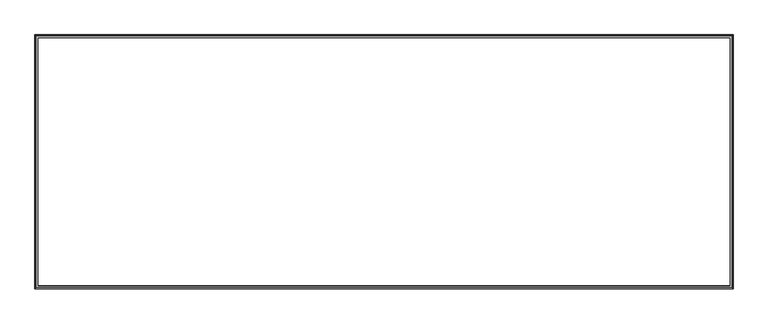
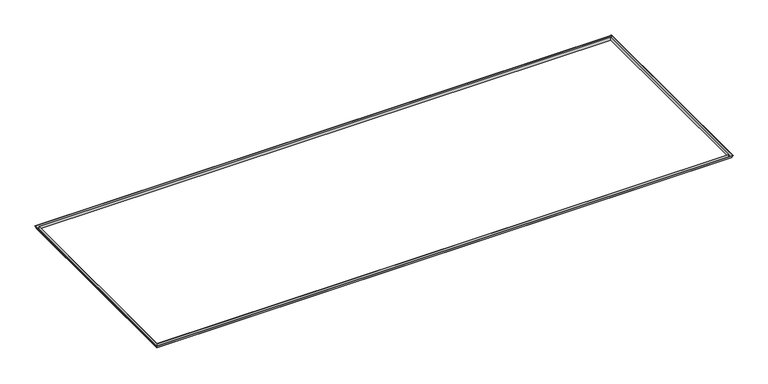
"""IFC4 building model written with IfcOpenShell, lengths in millimetres: proxy geometry."""

import ifcopenshell
import ifcopenshell.guid

model = None  # the IFC model being written
_history = None  # IfcOwnerHistory: only IFC2X3 demands one
_inside = {}  # id of a spatial element -> (the spatial element, [elements in it])
_under = {}  # id of a project, library or spatial element -> (it, [spatial elements below it])
_declared = {}  # id of a project -> (the project, [libraries it declares])
_typed = {}  # id of a type object -> (the type object, [elements of that type])
_made_of = {}  # id of a material, layer set ... -> (it, [elements and type objects made of it])


def new_model(schema):
    """Start an empty IFC model of exactly this schema.

    Asked for "IFC4X3", IfcOpenShell would pick the latest addendum, in which some entities
    have other attributes; the version numbers below select the first issue.
    IFC2X3 requires an IfcOwnerHistory on every rooted entity: one is made here for all.
    """
    global model, _history
    if schema == "IFC4X3":
        model = ifcopenshell.file(schema_version=(4, 3, 0, 0))
    else:
        model = ifcopenshell.file(schema=schema)
    _inside.clear()
    _under.clear()
    _declared.clear()
    _typed.clear()
    _made_of.clear()
    _history = None
    if model.schema == "IFC2X3":
        org = make("IfcOrganization", Name="unknown")
        user = make(
            "IfcPersonAndOrganization",
            ThePerson=make("IfcPerson", FamilyName="unknown"),
            TheOrganization=org,
        )
        app = make(
            "IfcApplication",
            ApplicationDeveloper=org,
            Version="unknown",
            ApplicationFullName="unknown",
            ApplicationIdentifier="unknown",
        )
        _history = make(
            "IfcOwnerHistory",
            OwningUser=user,
            OwningApplication=app,
            ChangeAction="ADDED",
            CreationDate=0,
        )
    return model


def make(cls, **values):
    """One entity of the class cls with the attributes given. An attribute that is None is left unset."""
    return model.create_entity(
        cls, **{name: value for name, value in values.items() if value is not None}
    )


def rooted(cls, **values):
    """An entity with a GlobalId (a new one), such as an element, a storey or a relation."""
    return make(cls, GlobalId=ifcopenshell.guid.new(), OwnerHistory=_history, **values)


def si_unit(unit_type, name, prefix=None):
    """IfcSIUnit, for example si_unit("LENGTHUNIT", "METRE", prefix="MILLI")."""
    return make("IfcSIUnit", UnitType=unit_type, Prefix=prefix, Name=name)


def assignment(units):
    """IfcUnitAssignment: the units of a project."""
    return None if units is None else make("IfcUnitAssignment", Units=units)


def point(xyz):
    """IfcCartesianPoint."""
    return None if xyz is None else make("IfcCartesianPoint", Coordinates=xyz)


def direction(xyz):
    """IfcDirection."""
    return None if xyz is None else make("IfcDirection", DirectionRatios=xyz)


def frame(location, z_axis=None, x_axis=None):
    """IfcAxis2Placement3D, a coordinate frame: its origin and axes. An axis left out is left unset."""
    return make(
        "IfcAxis2Placement3D",
        Location=point(location),
        Axis=direction(z_axis),
        RefDirection=direction(x_axis),
    )


def origin():
    """The frame at (0, 0, 0) with its axes left unset."""
    return frame((0.0, 0.0, 0.0))


def place(relative_to, where):
    """IfcLocalPlacement: puts the frame where relative to a parent placement (None: the world)."""
    return make(
        "IfcLocalPlacement", PlacementRelTo=relative_to, RelativePlacement=where
    )


def context(
    kind, dimensions, precision=None, world=None, true_north=None, identifier=None
):
    """IfcGeometricRepresentationContext, for example the 3D "Model" context."""
    return make(
        "IfcGeometricRepresentationContext",
        ContextIdentifier=identifier,
        ContextType=kind,
        CoordinateSpaceDimension=dimensions,
        Precision=precision,
        WorldCoordinateSystem=world,
        TrueNorth=true_north,
    )


def project(units=None, contexts=None):
    """IfcProject with its units and contexts."""
    return rooted(
        "IfcProject",
        Name="project",
        RepresentationContexts=contexts,
        UnitsInContext=assignment(units),
    )


def spatial(cls, under=None, at=None, **own):
    """A site, building, storey or space (cls), placed at a placement, below another one or the project."""
    s = rooted(cls, ObjectPlacement=at, **own)
    if under is not None:
        _under.setdefault(under.id(), (under, []))[1].append(s)
    return s


def faces_of(points, faces, orient=None, outer=None):
    """IfcFace entities. A face is a list of loops; a loop is a list of indices into points, from 0.

    orient and outer hold one flag for each loop. By default every Orientation is true, the
    first loop of a face is its IfcFaceOuterBound and the others are IfcFaceBound.
    """
    made = []
    for i, loops in enumerate(faces):
        bounds = []
        for j, loop in enumerate(loops):
            is_outer = j == 0 if outer is None else outer[i][j]
            bounds.append(
                make(
                    "IfcFaceOuterBound" if is_outer else "IfcFaceBound",
                    Bound=make("IfcPolyLoop", Polygon=[points[k] for k in loop]),
                    Orientation=True if orient is None else orient[i][j],
                )
            )
        made.append(make("IfcFace", Bounds=bounds))
    return made


def faceted_brep(points, faces, orient=None, outer=None, voids=None):
    """IfcFacetedBrep: a solid bounded by flat faces; with voids (closed shells), ...WithVoids."""
    shared = [point(p) for p in points]
    hull = make("IfcClosedShell", CfsFaces=faces_of(shared, faces, orient, outer))
    if voids is None:
        return make("IfcFacetedBrep", Outer=hull)
    return make(
        "IfcFacetedBrepWithVoids",
        Outer=hull,
        Voids=[
            make(cls, CfsFaces=faces_of(shared, fs, o, b)) for cls, fs, o, b in voids
        ],
    )


def shape(context_of_items, identifier, shape_type, items):
    """IfcShapeRepresentation: the items that make up one representation, for example the "Body"."""
    return make(
        "IfcShapeRepresentation",
        ContextOfItems=context_of_items,
        RepresentationIdentifier=identifier,
        RepresentationType=shape_type,
        Items=items,
    )


def source(mapping_origin, context_of_items, identifier, shape_type, items):
    """IfcRepresentationMap: a shape defined once, which mapped items show again and again."""
    return make(
        "IfcRepresentationMap",
        MappingOrigin=mapping_origin,
        MappedRepresentation=shape(context_of_items, identifier, shape_type, items),
    )


def transform(
    local_origin,
    x_axis=None,
    y_axis=None,
    z_axis=None,
    scale=None,
    scale2=None,
    scale3=None,
    uniform=True,
):
    """IfcCartesianTransformationOperator3D, or its non-uniform kind. x_axis, y_axis, z_axis: its Axis1, 2, 3."""
    if uniform:
        return make(
            "IfcCartesianTransformationOperator3D",
            Axis1=direction(x_axis),
            Axis2=direction(y_axis),
            LocalOrigin=point(local_origin),
            Scale=scale,
            Axis3=direction(z_axis),
        )
    return make(
        "IfcCartesianTransformationOperator3DnonUniform",
        Axis1=direction(x_axis),
        Axis2=direction(y_axis),
        LocalOrigin=point(local_origin),
        Scale=scale,
        Axis3=direction(z_axis),
        Scale2=scale2,
        Scale3=scale3,
    )


def mapped(mapping_source, mapping_target):
    """IfcMappedItem: shows the shape of a source again, moved by a transform."""
    return make(
        "IfcMappedItem", MappingSource=mapping_source, MappingTarget=mapping_target
    )


def made_of(thing, what):
    """Note that an element or type object is made of a material, layer set ...; save() writes the relation."""
    if what is not None:
        _made_of.setdefault(what.id(), (what, []))[1].append(thing)
    return thing


def element(
    cls,
    number,
    at=None,
    inside=None,
    cuts=None,
    type_object=None,
    material=None,
    context=None,
    identifier="Body",
    shape_type=None,
    held_by="IfcProductDefinitionShape",
    body=None,
    shapes=None,
    **own,
):
    """One element of the class cls, such as IfcWall. Its Tag is "e" and its number.

    at: its placement. inside: the storey or other place that contains it. cuts: it is an
    opening in that element (IfcRelVoidsElement). A single representation is given by context,
    identifier, shape_type and body (its items); several are given by shapes. held_by: the class
    of the entity that holds the representations. save() writes the other relations.
    """
    e = rooted(cls, Tag="e%d" % number, ObjectPlacement=at, **own)
    if body is not None:
        shapes = [shape(context, identifier, shape_type, body)]
    if shapes is not None:
        e.Representation = make(held_by, Representations=shapes)
    if inside is not None:
        _inside.setdefault(inside.id(), (inside, []))[1].append(e)
    if cuts is not None:
        rooted(
            "IfcRelVoidsElement", RelatingBuildingElement=cuts, RelatedOpeningElement=e
        )
    if type_object is not None:
        _typed.setdefault(type_object.id(), (type_object, []))[1].append(e)
    return made_of(e, material)


def aggregate(whole, parts):
    """IfcRelAggregates: a whole, such as a stair, and the parts it consists of."""
    return rooted("IfcRelAggregates", RelatingObject=whole, RelatedObjects=parts)


def save(model, path):
    """Write the relations noted so far, then the file.

    IfcRelAggregates (storeys below a building ...), IfcRelContainedInSpatialStructure (elements
    in a storey), IfcRelDefinesByType, IfcRelAssociatesMaterial and IfcRelDeclares: one each for
    every whole, place, type object, material and project.
    """
    for whole, parts in _under.values():
        aggregate(whole, parts)
    for where, things in _inside.values():
        rooted(
            "IfcRelContainedInSpatialStructure",
            RelatedElements=things,
            RelatingStructure=where,
        )
    for kind, things in _typed.values():
        rooted("IfcRelDefinesByType", RelatedObjects=things, RelatingType=kind)
    for what, things in _made_of.values():
        rooted("IfcRelAssociatesMaterial", RelatedObjects=things, RelatingMaterial=what)
    for by, libraries in _declared.values():
        rooted("IfcRelDeclares", RelatingContext=by, RelatedDefinitions=libraries)
    model.write(path)


def generic_models_3cce644f(model_context):
    return source(origin(), model_context, "Body", "Brep", [
        faceted_brep([(-114626.1867011, -89155.0209837, 14756.2952898), (-114588.0867011, -89193.1209837, 14631.7830572), (-114588.0867011, -100439.5209837, 14631.7830572), (-114626.1867011, -100477.6209837, 14756.2952898), (-114638.8867011, -89142.3209837, 14768.9952898), (-114638.8867011, -89142.3209837, 14756.2952898), (-114638.8867011, -100490.3209837, 14756.2952898), (-114638.8867011, -100490.3209837, 14768.9952898), (-114626.1867011, -89155.0209837, 14765.8202898), (-114626.1867011, -89155.0209837, 14768.9952898), (-114626.1867011, -100477.6209837, 14768.9952898), (-114626.1867011, -100477.6209837, 14765.8202898), (-114635.7117011, -89145.4959837, 14759.4702898), (-114635.7117011, -89145.4959837, 14765.8202898), (-114635.7117011, -100487.1459837, 14765.8202898), (-114635.7117011, -100487.1459837, 14759.4702898), (-114585.7244038, -89195.483281, 14634.9580572), (-114623.8244038, -89157.383281, 14759.4702898), (-114623.8244038, -100475.2586864, 14759.4702898), (-114585.7244038, -100437.1586864, 14634.9580572), (-114492.0617011, -89289.1459837, 14781.6952898), (-114492.0617011, -89289.1459837, 14634.9580572), (-114492.0617011, -100343.4959837, 14634.9580572), (-114492.0617011, -100343.4959837, 14781.6952898), (-114488.8867011, -89292.3209837, 14631.7830572), (-114488.8867011, -89292.3209837, 14781.6952898), (-114488.8867011, -100340.3209837, 14781.6952898), (-114488.8867011, -100340.3209837, 14631.7830572), (-83551.6867011, -100439.5209837, 14631.7830572), (-83513.5867011, -100477.6209837, 14756.2952898), (-83500.8867011, -100490.3209837, 14756.2952898), (-83500.8867011, -100490.3209837, 14768.9952898), (-83513.5867011, -100477.6209837, 14768.9952898), (-83513.5867011, -100477.6209837, 14765.8202898), (-83504.0617011, -100487.1459837, 14765.8202898), (-83504.0617011, -100487.1459837, 14759.4702898), (-83515.9489984, -100475.2586864, 14759.4702898), (-83554.0489984, -100437.1586864, 14634.9580572), (-83647.7117011, -100343.4959837, 14634.9580572), (-83647.7117011, -100343.4959837, 14781.6952898), (-83650.8867011, -100340.3209837, 14781.6952898), (-83650.8867011, -100340.3209837, 14631.7830572), (-83551.6867011, -89193.1209837, 14631.7830572), (-83513.5867011, -89155.0209837, 14756.2952898), (-83500.8867011, -89142.3209837, 14756.2952898), (-83500.8867011, -89142.3209837, 14768.9952898), (-83513.5867011, -89155.0209837, 14768.9952898), (-83513.5867011, -89155.0209837, 14765.8202898), (-83504.0617011, -89145.4959837, 14765.8202898), (-83504.0617011, -89145.4959837, 14759.4702898), (-83515.9489984, -89157.383281, 14759.4702898), (-83554.0489984, -89195.483281, 14634.9580572), (-83647.7117011, -89289.1459837, 14634.9580572), (-83647.7117011, -89289.1459837, 14781.6952898), (-83650.8867011, -89292.3209837, 14781.6952898), (-83650.8867011, -89292.3209837, 14631.7830572)], [[[0, 1, 2, 3]], [[4, 5, 6, 7]], [[8, 9, 10, 11]], [[12, 13, 14, 15]], [[16, 17, 18, 19]], [[20, 21, 22, 23]], [[24, 25, 26, 27]], [[3, 2, 28, 29]], [[7, 6, 30, 31]], [[11, 10, 32, 33]], [[15, 14, 34, 35]], [[19, 18, 36, 37]], [[23, 22, 38, 39]], [[27, 26, 40, 41]], [[29, 28, 42, 43]], [[31, 30, 44, 45]], [[33, 32, 46, 47]], [[35, 34, 48, 49]], [[37, 36, 50, 51]], [[39, 38, 52, 53]], [[41, 40, 54, 55]], [[1, 42, 28, 2], [27, 41, 55, 24]], [[43, 42, 1, 0]], [[5, 44, 30, 6], [3, 29, 43, 0]], [[45, 44, 5, 4]], [[7, 31, 45, 4], [9, 46, 32, 10]], [[47, 46, 9, 8]], [[13, 48, 34, 14], [11, 33, 47, 8]], [[49, 48, 13, 12]], [[15, 35, 49, 12], [17, 50, 36, 18]], [[51, 50, 17, 16]], [[19, 37, 51, 16], [21, 52, 38, 22]], [[53, 52, 21, 20]], [[23, 39, 53, 20], [25, 54, 40, 26]], [[55, 54, 25, 24]]]),
    ])


if __name__ == "__main__":
    model = new_model("IFC4")
    model_context = context("Model", 3, world=origin())
    ifc_project = project(units=[si_unit("LENGTHUNIT", "METRE", prefix="MILLI")], contexts=[model_context])
    site = spatial("IfcSite", under=ifc_project)
    building = spatial("IfcBuilding", under=site)
    placement = place(None, origin())
    generic_models_shape = generic_models_3cce644f(model_context)
    element("IfcBuildingElementProxy", 1, Name="Generic Models", at=placement, inside=building, context=model_context, shape_type="MappedRepresentation", body=[
        mapped(generic_models_shape, transform((0.0, 0.0, 0.0), x_axis=(1.0, 0.0, 0.0), y_axis=(0.0, 1.0, 0.0), z_axis=(0.0, 0.0, 1.0))),
    ])
    save(model, "model.ifc")
